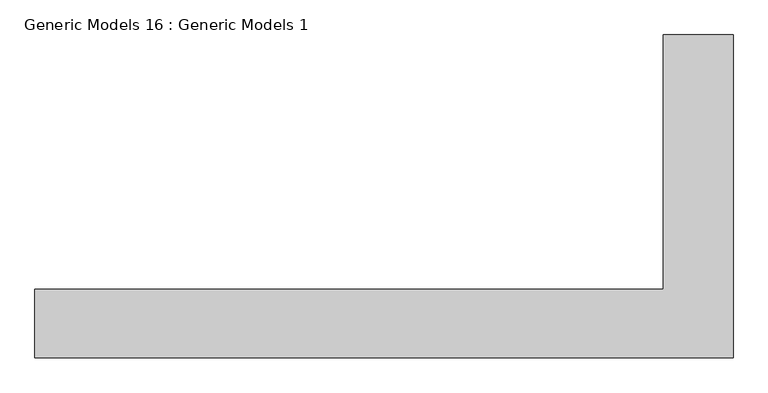
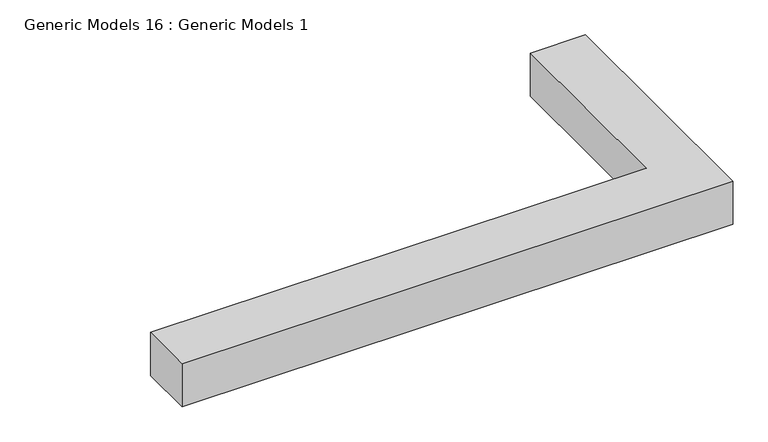
"""IFC4 building model written with IfcOpenShell, lengths in millimetres: proxy geometry, Generic Models 16 : Generic Models 1."""

import ifcopenshell
import ifcopenshell.guid

model = None  # the IFC model being written
_history = None  # IfcOwnerHistory: only IFC2X3 demands one
_inside = {}  # id of a spatial element -> (the spatial element, [elements in it])
_under = {}  # id of a project, library or spatial element -> (it, [spatial elements below it])
_declared = {}  # id of a project -> (the project, [libraries it declares])
_typed = {}  # id of a type object -> (the type object, [elements of that type])
_made_of = {}  # id of a material, layer set ... -> (it, [elements and type objects made of it])


def new_model(schema):
    """Start an empty IFC model of exactly this schema.

    Asked for "IFC4X3", IfcOpenShell would pick the latest addendum, in which some entities
    have other attributes; the version numbers below select the first issue.
    IFC2X3 requires an IfcOwnerHistory on every rooted entity: one is made here for all.
    """
    global model, _history
    if schema == "IFC4X3":
        model = ifcopenshell.file(schema_version=(4, 3, 0, 0))
    else:
        model = ifcopenshell.file(schema=schema)
    _inside.clear()
    _under.clear()
    _declared.clear()
    _typed.clear()
    _made_of.clear()
    _history = None
    if model.schema == "IFC2X3":
        org = make("IfcOrganization", Name="unknown")
        user = make(
            "IfcPersonAndOrganization",
            ThePerson=make("IfcPerson", FamilyName="unknown"),
            TheOrganization=org,
        )
        app = make(
            "IfcApplication",
            ApplicationDeveloper=org,
            Version="unknown",
            ApplicationFullName="unknown",
            ApplicationIdentifier="unknown",
        )
        _history = make(
            "IfcOwnerHistory",
            OwningUser=user,
            OwningApplication=app,
            ChangeAction="ADDED",
            CreationDate=0,
        )
    return model


def make(cls, **values):
    """One entity of the class cls with the attributes given. An attribute that is None is left unset."""
    return model.create_entity(
        cls, **{name: value for name, value in values.items() if value is not None}
    )


def rooted(cls, **values):
    """An entity with a GlobalId (a new one), such as an element, a storey or a relation."""
    return make(cls, GlobalId=ifcopenshell.guid.new(), OwnerHistory=_history, **values)


def si_unit(unit_type, name, prefix=None):
    """IfcSIUnit, for example si_unit("LENGTHUNIT", "METRE", prefix="MILLI")."""
    return make("IfcSIUnit", UnitType=unit_type, Prefix=prefix, Name=name)


def assignment(units):
    """IfcUnitAssignment: the units of a project."""
    return None if units is None else make("IfcUnitAssignment", Units=units)


def point(xyz):
    """IfcCartesianPoint."""
    return None if xyz is None else make("IfcCartesianPoint", Coordinates=xyz)


def direction(xyz):
    """IfcDirection."""
    return None if xyz is None else make("IfcDirection", DirectionRatios=xyz)


def frame(location, z_axis=None, x_axis=None):
    """IfcAxis2Placement3D, a coordinate frame: its origin and axes. An axis left out is left unset."""
    return make(
        "IfcAxis2Placement3D",
        Location=point(location),
        Axis=direction(z_axis),
        RefDirection=direction(x_axis),
    )


def origin():
    """The frame at (0, 0, 0) with its axes left unset."""
    return frame((0.0, 0.0, 0.0))


def origin_with_axes():
    """The frame at (0, 0, 0) with the z axis (0, 0, 1) and the x axis (1, 0, 0) written out."""
    return frame((0.0, 0.0, 0.0), z_axis=(0.0, 0.0, 1.0), x_axis=(1.0, 0.0, 0.0))


def place(relative_to, where):
    """IfcLocalPlacement: puts the frame where relative to a parent placement (None: the world)."""
    return make(
        "IfcLocalPlacement", PlacementRelTo=relative_to, RelativePlacement=where
    )


def context(
    kind, dimensions, precision=None, world=None, true_north=None, identifier=None
):
    """IfcGeometricRepresentationContext, for example the 3D "Model" context."""
    return make(
        "IfcGeometricRepresentationContext",
        ContextIdentifier=identifier,
        ContextType=kind,
        CoordinateSpaceDimension=dimensions,
        Precision=precision,
        WorldCoordinateSystem=world,
        TrueNorth=true_north,
    )


def project(units=None, contexts=None):
    """IfcProject with its units and contexts."""
    return rooted(
        "IfcProject",
        Name="project",
        RepresentationContexts=contexts,
        UnitsInContext=assignment(units),
    )


def spatial(cls, under=None, at=None, **own):
    """A site, building, storey or space (cls), placed at a placement, below another one or the project."""
    s = rooted(cls, ObjectPlacement=at, **own)
    if under is not None:
        _under.setdefault(under.id(), (under, []))[1].append(s)
    return s


def polyline(points):
    """IfcPolyline through the points."""
    return make("IfcPolyline", Points=[point(p) for p in points])


def outline(outer, holes=None, kind="AREA"):
    """IfcArbitraryClosedProfileDef: a profile drawn as a closed curve; with holes, ...WithVoids."""
    if holes is None:
        return make("IfcArbitraryClosedProfileDef", ProfileType=kind, OuterCurve=outer)
    return make(
        "IfcArbitraryProfileDefWithVoids",
        ProfileType=kind,
        OuterCurve=outer,
        InnerCurves=holes,
    )


def extrude(swept, where, along, depth):
    """IfcExtrudedAreaSolid: the profile swept, set in the frame where, extruded along a direction by depth."""
    return make(
        "IfcExtrudedAreaSolid",
        SweptArea=swept,
        Position=where,
        ExtrudedDirection=direction(along),
        Depth=depth,
    )


def shape(context_of_items, identifier, shape_type, items):
    """IfcShapeRepresentation: the items that make up one representation, for example the "Body"."""
    return make(
        "IfcShapeRepresentation",
        ContextOfItems=context_of_items,
        RepresentationIdentifier=identifier,
        RepresentationType=shape_type,
        Items=items,
    )


def source(mapping_origin, context_of_items, identifier, shape_type, items):
    """IfcRepresentationMap: a shape defined once, which mapped items show again and again."""
    return make(
        "IfcRepresentationMap",
        MappingOrigin=mapping_origin,
        MappedRepresentation=shape(context_of_items, identifier, shape_type, items),
    )


def transform(
    local_origin,
    x_axis=None,
    y_axis=None,
    z_axis=None,
    scale=None,
    scale2=None,
    scale3=None,
    uniform=True,
):
    """IfcCartesianTransformationOperator3D, or its non-uniform kind. x_axis, y_axis, z_axis: its Axis1, 2, 3."""
    if uniform:
        return make(
            "IfcCartesianTransformationOperator3D",
            Axis1=direction(x_axis),
            Axis2=direction(y_axis),
            LocalOrigin=point(local_origin),
            Scale=scale,
            Axis3=direction(z_axis),
        )
    return make(
        "IfcCartesianTransformationOperator3DnonUniform",
        Axis1=direction(x_axis),
        Axis2=direction(y_axis),
        LocalOrigin=point(local_origin),
        Scale=scale,
        Axis3=direction(z_axis),
        Scale2=scale2,
        Scale3=scale3,
    )


def mapped(mapping_source, mapping_target):
    """IfcMappedItem: shows the shape of a source again, moved by a transform."""
    return make(
        "IfcMappedItem", MappingSource=mapping_source, MappingTarget=mapping_target
    )


def made_of(thing, what):
    """Note that an element or type object is made of a material, layer set ...; save() writes the relation."""
    if what is not None:
        _made_of.setdefault(what.id(), (what, []))[1].append(thing)
    return thing


def element(
    cls,
    number,
    at=None,
    inside=None,
    cuts=None,
    type_object=None,
    material=None,
    context=None,
    identifier="Body",
    shape_type=None,
    held_by="IfcProductDefinitionShape",
    body=None,
    shapes=None,
    **own,
):
    """One element of the class cls, such as IfcWall. Its Tag is "e" and its number.

    at: its placement. inside: the storey or other place that contains it. cuts: it is an
    opening in that element (IfcRelVoidsElement). A single representation is given by context,
    identifier, shape_type and body (its items); several are given by shapes. held_by: the class
    of the entity that holds the representations. save() writes the other relations.
    """
    e = rooted(cls, Tag="e%d" % number, ObjectPlacement=at, **own)
    if body is not None:
        shapes = [shape(context, identifier, shape_type, body)]
    if shapes is not None:
        e.Representation = make(held_by, Representations=shapes)
    if inside is not None:
        _inside.setdefault(inside.id(), (inside, []))[1].append(e)
    if cuts is not None:
        rooted(
            "IfcRelVoidsElement", RelatingBuildingElement=cuts, RelatedOpeningElement=e
        )
    if type_object is not None:
        _typed.setdefault(type_object.id(), (type_object, []))[1].append(e)
    return made_of(e, material)


def aggregate(whole, parts):
    """IfcRelAggregates: a whole, such as a stair, and the parts it consists of."""
    return rooted("IfcRelAggregates", RelatingObject=whole, RelatedObjects=parts)


def save(model, path):
    """Write the relations noted so far, then the file.

    IfcRelAggregates (storeys below a building ...), IfcRelContainedInSpatialStructure (elements
    in a storey), IfcRelDefinesByType, IfcRelAssociatesMaterial and IfcRelDeclares: one each for
    every whole, place, type object, material and project.
    """
    for whole, parts in _under.values():
        aggregate(whole, parts)
    for where, things in _inside.values():
        rooted(
            "IfcRelContainedInSpatialStructure",
            RelatedElements=things,
            RelatingStructure=where,
        )
    for kind, things in _typed.values():
        rooted("IfcRelDefinesByType", RelatedObjects=things, RelatingType=kind)
    for what, things in _made_of.values():
        rooted("IfcRelAssociatesMaterial", RelatedObjects=things, RelatingMaterial=what)
    for by, libraries in _declared.values():
        rooted("IfcRelDeclares", RelatingContext=by, RelatedDefinitions=libraries)
    model.write(path)


def generic_models_16_generic_models_1_a75058f4(model_context):
    return source(origin(), model_context, "Body", "SweptSolid", [
        extrude(outline(polyline([(454223.2254676, -353444.2757335), (454223.2254676, -352961.6757335), (458637.7436362, -352961.6757335), (458637.7436362, -351174.8580223), (459128.6004676, -351174.8580223), (459128.6004676, -353444.2757335), (454223.2254676, -353444.2757335)])), origin_with_axes(), (0.0, 0.0, 1.0), 406.4),
    ])


if __name__ == "__main__":
    model = new_model("IFC4")
    model_context = context("Model", 3, world=origin())
    ifc_project = project(units=[si_unit("LENGTHUNIT", "METRE", prefix="MILLI")], contexts=[model_context])
    site = spatial("IfcSite", under=ifc_project)
    building = spatial("IfcBuilding", under=site)
    placement = place(None, origin())
    generic_models_16_generic_models_1_shape = generic_models_16_generic_models_1_a75058f4(model_context)
    element("IfcBuildingElementProxy", 1, Name="Generic Models 16 : Generic Models 1", ObjectType="Generic Models 16 : Generic Models 1", at=placement, inside=building, context=model_context, shape_type="MappedRepresentation", body=[
        mapped(generic_models_16_generic_models_1_shape, transform((0.0, 0.0, 0.0), x_axis=(1.0, 0.0, 0.0), y_axis=(0.0, 1.0, 0.0), z_axis=(0.0, 0.0, 1.0))),
    ])
    save(model, "model.ifc")
